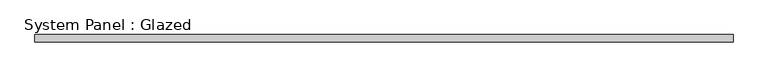
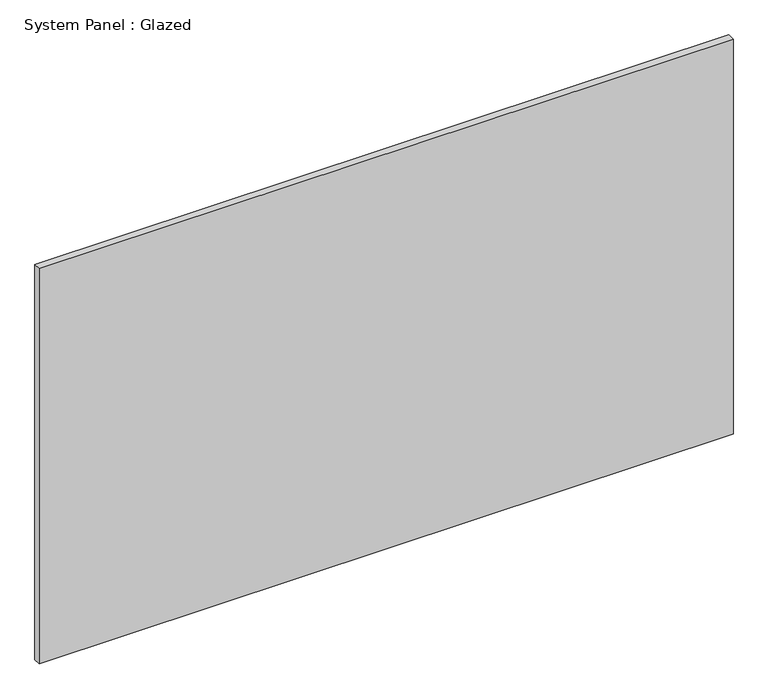
"""IFC4 building model written with IfcOpenShell, lengths in millimetres: plate geometry, System Panel : Glazed."""

from ifc_helpers import new_model, si_unit, origin, origin_with_axes, place, context, project, spatial, polyline, outline, extrude, source, transform, mapped, element, save


def system_panel_glazed_e85eb565(model_context):
    return source(origin(), model_context, "Body", "SweptSolid", [
        extrude(outline(polyline([(1212.5266214, 19.05), (-1212.5266214, 19.05), (-1212.5266214, 44.45), (1212.5266214, 44.45), (1212.5266214, 19.05)])), origin_with_axes(), (0.0, 0.0, 1.0), 1460.5),
    ])


if __name__ == "__main__":
    model = new_model("IFC4")
    model_context = context("Model", 3, world=origin())
    ifc_project = project(units=[si_unit("LENGTHUNIT", "METRE", prefix="MILLI")], contexts=[model_context])
    site = spatial("IfcSite", under=ifc_project)
    building = spatial("IfcBuilding", under=site)
    placement = place(None, origin())
    system_panel_glazed_shape = system_panel_glazed_e85eb565(model_context)
    element("IfcPlate", 1, ObjectType="System Panel : Glazed", at=placement, inside=building, context=model_context, shape_type="MappedRepresentation", body=[
        mapped(system_panel_glazed_shape, transform((0.0, 0.0, 0.0), x_axis=(1.0, 0.0, 0.0), y_axis=(0.0, 1.0, 0.0), z_axis=(0.0, 0.0, 1.0))),
    ])
    save(model, "model.ifc")
